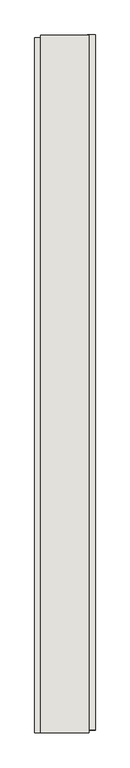
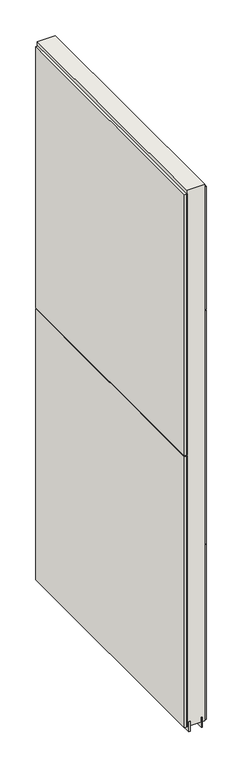
"""IFC4 building model written with IfcOpenShell, lengths in millimetres: wall geometry."""

from ifc_helpers import new_model, si_unit, frame, origin, place, context, project, spatial, polyline, outline, extrude, source, transform, mapped, element, save


def wall_32bf38a9(model_context):
    return source(origin(), model_context, "Body", "SweptSolid", [
        extrude(outline(polyline([(70311.4341546, -41849.632836), (70311.4341546, -41852.172836), (70308.8941546, -41852.172836), (70308.8941546, -41849.632836), (70311.4341546, -41849.632836)])), frame((0.0, 0.0, 4419.6), z_axis=(0.0, 0.0, 1.0), x_axis=(1.0, 0.0, 0.0)), (0.0, 0.0, 1.0), 2.54),
        extrude(outline(polyline([(70259.3641546, -43018.4965638), (70259.3641546, -41854.0965558), (70272.0641546, -41854.0965558), (70272.0641546, -43018.4965638), (70259.3641546, -43018.4965638)])), frame((0.0, 0.0, 5742.4000722), z_axis=(0.0, 0.0, 1.0), x_axis=(1.0, 0.0, 0.0)), (0.0, 0.0, 1.0), 1247.649905),
        extrude(outline(polyline([(70259.3641546, -43018.4965638), (70259.3641546, -41854.0965558), (70272.0641546, -41854.0965558), (70272.0641546, -43018.4965638), (70259.3641546, -43018.4965638)])), frame((0.0, 0.0, 4445.0), z_axis=(0.0, 0.0, 1.0), x_axis=(1.0, 0.0, 0.0)), (0.0, 0.0, 1.0), 1293.400004),
        extrude(outline(polyline([(70360.9641546, -41849.166619), (70360.9641546, -43013.566627), (70348.2641546, -43013.566627), (70348.2641546, -41849.166619), (70360.9641546, -41849.166619)])), frame((0.0, 0.0, 6402.8000722), z_axis=(0.0, 0.0, 1.0), x_axis=(1.0, 0.0, 0.0)), (0.0, 0.0, 1.0), 587.2498034),
        extrude(outline(polyline([(70360.9641546, -41849.166619), (70360.9641546, -43013.566627), (70348.2641546, -43013.566627), (70348.2641546, -41849.166619), (70360.9641546, -41849.166619)])), frame((0.0, 0.0, 5285.2000722), z_axis=(0.0, 0.0, 1.0), x_axis=(1.0, 0.0, 0.0)), (0.0, 0.0, 1.0), 1113.5999572),
        extrude(outline(polyline([(70360.9641546, -41849.166619), (70360.9641546, -43013.566627), (70348.2641546, -43013.566627), (70348.2641546, -41849.166619), (70360.9641546, -41849.166619)])), frame((0.0, 0.0, 4445.0), z_axis=(0.0, 0.0, 1.0), x_axis=(1.0, 0.0, 0.0)), (0.0, 0.0, 1.0), 836.200004),
        extrude(outline(polyline([(70285.0742124, -41849.6253938), (70285.0742124, -43018.0253938), (70279.995457, -43018.0253938), (70279.995457, -41849.6253938), (70285.0742124, -41849.6253938)])), frame((0.0, 0.0, 4418.6602), z_axis=(0.0, 0.0, 1.0), x_axis=(1.0, 0.0, 0.0)), (0.0, 0.0, 1.0), 47.625),
        extrude(outline(polyline([(70285.0742124, -41849.6253938), (70285.0742124, -43018.0253938), (70279.995457, -43018.0253938), (70279.995457, -41849.6253938), (70285.0742124, -41849.6253938)])), frame((0.0, 0.0, 4418.6602), z_axis=(0.0, 0.0, 1.0), x_axis=(1.0, 0.0, 0.0)), (0.0, 0.0, 1.0), 47.625),
        extrude(outline(polyline([(70335.2417016, -43018.0253938), (70335.2417016, -41849.6253938), (70340.320457, -41849.6253938), (70340.320457, -43018.0253938), (70335.2417016, -43018.0253938)])), frame((0.0, 0.0, 4418.6602), z_axis=(0.0, 0.0, 1.0), x_axis=(1.0, 0.0, 0.0)), (0.0, 0.0, 1.0), 47.625),
        extrude(outline(polyline([(70335.2417016, -43018.0253938), (70335.2417016, -41849.6253938), (70340.320457, -41849.6253938), (70340.320457, -43018.0253938), (70335.2417016, -43018.0253938)])), frame((0.0, 0.0, 4418.6602), z_axis=(0.0, 0.0, 1.0), x_axis=(1.0, 0.0, 0.0)), (0.0, 0.0, 1.0), 47.625),
        extrude(outline(polyline([(70269.534086, -41849.6253938), (70350.8128414, -41849.6253938), (70350.8128414, -43018.0253938), (70269.534086, -43018.0253938), (70269.534086, -41849.6253938)])), frame((0.0, 0.0, 4445.0), z_axis=(0.0, 0.0, 1.0), x_axis=(1.0, 0.0, 0.0)), (0.0, 0.0, 1.0), 2562.4536762),
    ])


if __name__ == "__main__":
    model = new_model("IFC4")
    model_context = context("Model", 3, world=origin())
    ifc_project = project(units=[si_unit("LENGTHUNIT", "METRE", prefix="MILLI")], contexts=[model_context])
    site = spatial("IfcSite", under=ifc_project)
    building = spatial("IfcBuilding", under=site)
    placement = place(None, origin())
    wall_shape = wall_32bf38a9(model_context)
    element("IfcWall", 1, at=placement, inside=building, context=model_context, shape_type="MappedRepresentation", body=[
        mapped(wall_shape, transform((0.0, 0.0, 0.0), x_axis=(1.0, 0.0, 0.0), y_axis=(0.0, 1.0, 0.0), z_axis=(0.0, 0.0, 1.0))),
    ])
    save(model, "model.ifc")
